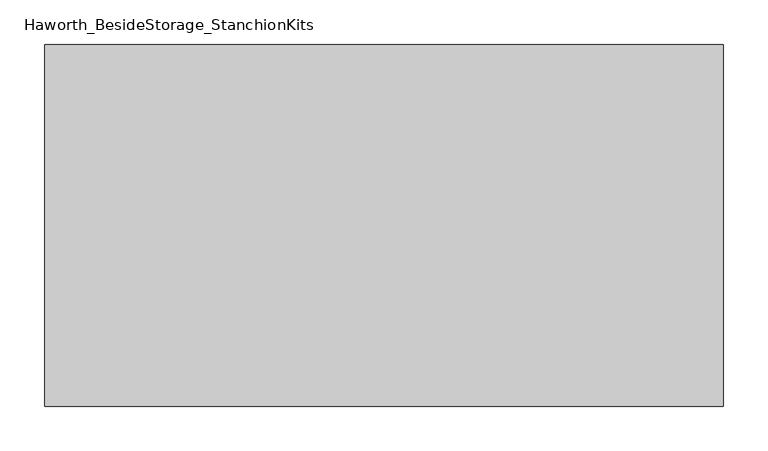
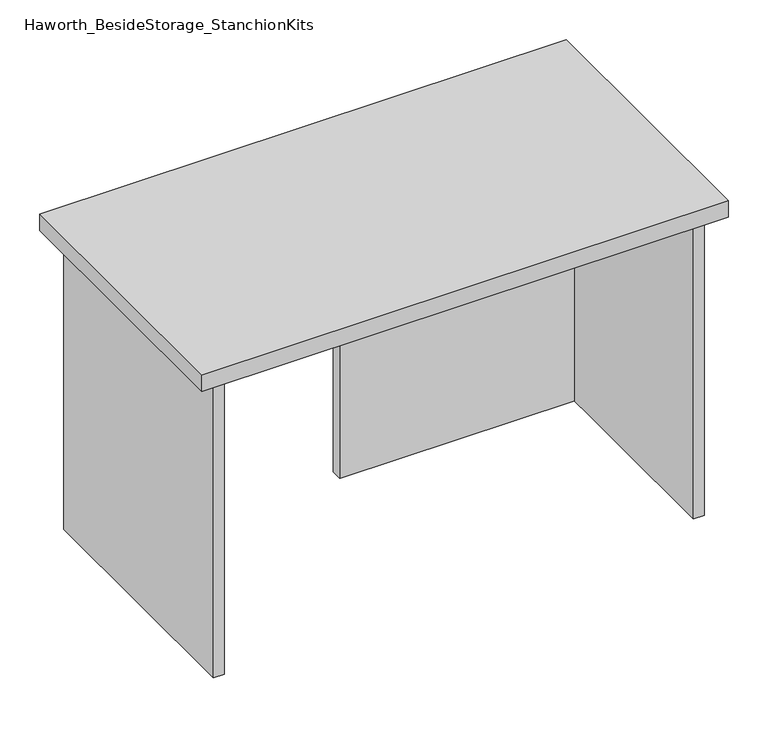
"""IFC4 building model written with IfcOpenShell, lengths in millimetres: furniture geometry, Haworth_BesideStorage_StanchionKits."""

from ifc_helpers import new_model, si_unit, frame, origin, place, context, project, spatial, polyline, outline, extrude, source, transform, mapped, element, save


def haworth_besidestorage_stanchionkits_4d5353bb(model_context):
    return source(origin(), model_context, "Body", "SweptSolid", [
        extrude(outline(polyline([(542.925, 0.0), (542.925, -406.4), (-219.075, -406.4), (-219.075, 0.0), (542.925, 0.0)])), frame((0.0, 0.0, 889.0), z_axis=(0.0, 0.0, 1.0), x_axis=(1.0, 0.0, 0.0)), (0.0, 0.0, 1.0), 25.4),
        extrude(outline(polyline([(161.925, -76.2), (501.65, -76.2), (501.65, -92.075), (161.925, -92.075), (161.925, -76.2)])), frame((0.0, 0.0, 431.8), z_axis=(0.0, 0.0, 1.0), x_axis=(1.0, 0.0, 0.0)), (0.0, 0.0, 1.0), 457.2),
        extrude(outline(polyline([(517.525, -390.525), (501.65, -390.525), (501.65, -15.875), (517.525, -15.875), (517.525, -390.525)])), frame((0.0, 0.0, 431.8), z_axis=(0.0, 0.0, 1.0), x_axis=(1.0, 0.0, 0.0)), (0.0, 0.0, 1.0), 457.2),
        extrude(outline(polyline([(-177.8, -390.525), (-193.675, -390.525), (-193.675, -15.875), (-177.8, -15.875), (-177.8, -390.525)])), frame((0.0, 0.0, 431.8), z_axis=(0.0, 0.0, 1.0), x_axis=(1.0, 0.0, 0.0)), (0.0, 0.0, 1.0), 457.2),
    ])


if __name__ == "__main__":
    model = new_model("IFC4")
    model_context = context("Model", 3, world=origin())
    ifc_project = project(units=[si_unit("LENGTHUNIT", "METRE", prefix="MILLI")], contexts=[model_context])
    site = spatial("IfcSite", under=ifc_project)
    building = spatial("IfcBuilding", under=site)
    placement = place(None, origin())
    haworth_besidestorage_stanchionkits_shape = haworth_besidestorage_stanchionkits_4d5353bb(model_context)
    element("IfcFurniture", 1, ObjectType="Haworth_BesideStorage_StanchionKits", at=placement, inside=building, context=model_context, shape_type="MappedRepresentation", body=[
        mapped(haworth_besidestorage_stanchionkits_shape, transform((0.0, 0.0, 0.0), x_axis=(1.0, 0.0, 0.0), y_axis=(0.0, 1.0, 0.0), z_axis=(0.0, 0.0, 1.0))),
    ])
    save(model, "model.ifc")
